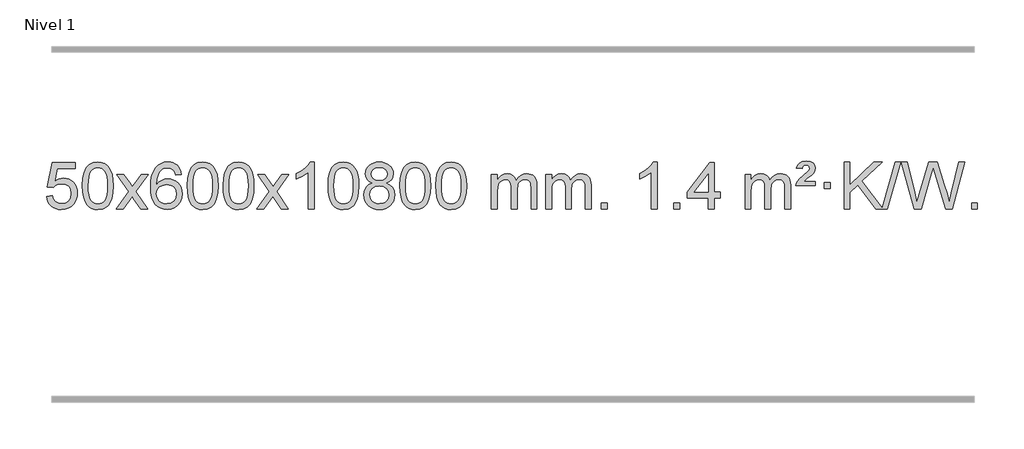
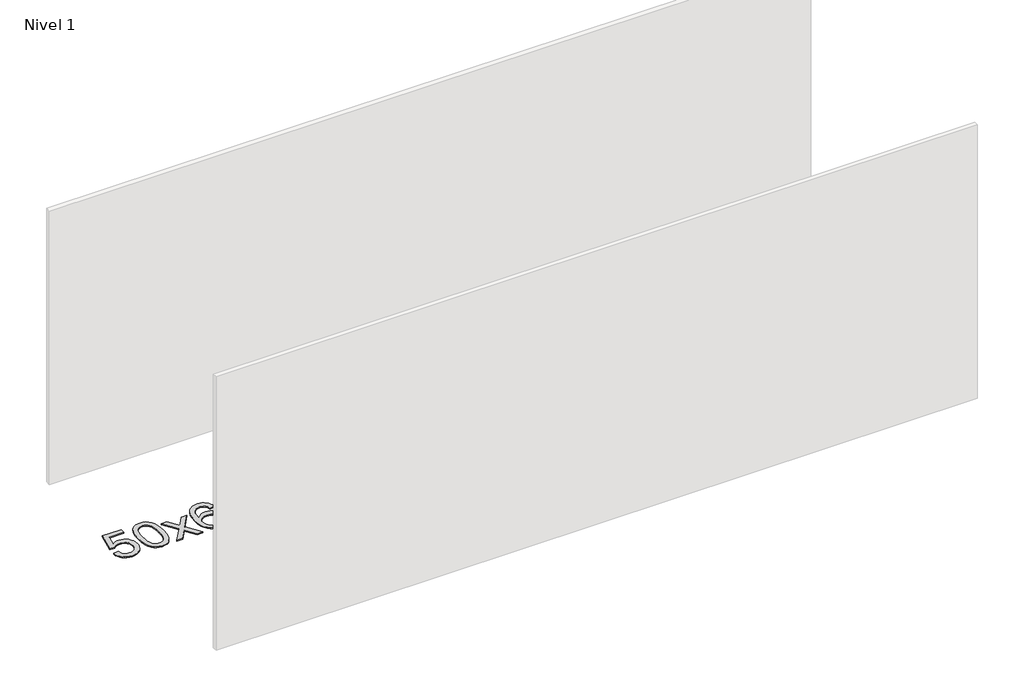
# One storey, part 16 of 16: 1 proxy.
"""IFC4 building model written with IfcOpenShell, lengths in millimetres."""

from ifc_helpers import new_model, si_unit, origin, origin_with_axes, place, context, project, spatial, polyline, outline, extrude, element, save

model = new_model("IFC4")

# Units and contexts
model_context = context("Model", 3, world=origin())
ifc_project = project(units=[si_unit("LENGTHUNIT", "METRE", prefix="MILLI")], contexts=[model_context])

# Site, building, storey
site = spatial("IfcSite", under=ifc_project)
building = spatial("IfcBuilding", under=site)
storey = spatial("IfcBuildingStorey", under=building, Name="Nivel 1", Elevation=0.0)

# Proxy
placement = place(None, origin())
element("IfcBuildingElementProxy", 1, Name="Texto de modelo 1", ObjectType="Texto de modelo 1", at=placement, inside=storey, context=model_context, shape_type="SweptSolid", body=[
    extrude(outline(polyline([(-277.6882182, 2715.1553765), (-227.4600631, 2721.4338959), (-218.2384877, 2691.2798351), (-202.1497818, 2669.6851619), (-179.2675217, 2656.6989275), (-149.6652838, 2652.3701827), (-130.5354201, 2653.8754332), (-113.6618992, 2658.3911847), (-99.0447213, 2665.9174372), (-86.6838863, 2676.4541906), (-76.8553056, 2689.480279), (-69.8348909, 2704.4745359), (-64.2185591, 2740.3675559), (-69.4792716, 2774.1636486), (-76.0551623, 2788.0818507), (-85.2614092, 2800.0134901), (-97.1286692, 2809.5845533), (-111.6875992, 2816.4210271), (-148.8804689, 2821.8902061), (-173.2465197, 2819.7074396), (-192.9772574, 2813.1591401), (-208.7348695, 2803.1282243), (-221.1815437, 2790.4976092), (-271.4096988, 2796.7761285), (-227.4600631, 3003.9672682), (-32.8259622, 3003.9672682), (-32.8259622, 2953.7391131), (-186.8458908, 2953.7391131), (-208.3301993, 2843.080209), (-190.6044185, 2855.7844006), (-172.4494421, 2864.8588231), (-153.8652699, 2870.3034766), (-134.8519022, 2872.1183612), (-110.3908152, 2869.8681496), (-87.9224223, 2863.117515), (-67.4467236, 2851.8664573), (-48.963719, 2836.1149766), (-33.6628937, 2816.8256973), (-22.7337328, 2794.961244), (-16.1762362, 2770.5216168), (-13.990404, 2743.5068156), (-15.9585727, 2717.4852958), (-21.8630787, 2693.2786606), (-31.7039221, 2670.8869098), (-45.4811028, 2650.3100435), (-66.3522747, 2629.2365366), (-90.7060627, 2614.1840316), (-118.542467, 2605.1525286), (-149.8614876, 2602.1420276), (-175.7818398, 2604.0764738), (-199.1944631, 2609.8798123), (-220.0993575, 2619.552043), (-238.4965229, 2633.0931662), (-253.8034796, 2649.8287312), (-265.4377477, 2669.084288), (-273.3993272, 2690.8598364), (-277.6882182, 2715.1553765)])), origin_with_axes(), (0.0, 0.0, 1.0), 10.0),
    extrude(outline(polyline([(29.9592317, 2806.0958057), (33.6503144, 2870.4138412), (44.7235624, 2921.7088541), (63.0686112, 2960.7656593), (74.9266742, 2975.9990395), (88.5750962, 2988.3690716), (104.0598626, 2997.9401349), (121.4269584, 3004.7766086), (161.8081387, 3010.2457876), (192.7592773, 3007.008426), (220.4730542, 2997.2963414), (243.6496199, 2981.4896783), (260.9891246, 2959.9685816), (274.0857237, 2932.9169922), (284.5335723, 2900.5188512), (291.3761774, 2859.3773814), (293.6570458, 2806.0958057), (290.0027513, 2742.1456523), (279.0398679, 2690.9732667), (260.8051836, 2651.8796734), (248.9747118, 2636.6003078), (235.3354868, 2624.1658964), (219.8323264, 2614.5304538), (202.4100483, 2607.6479948), (161.8081387, 2602.1420276), (134.1434127, 2604.5332606), (109.6179464, 2611.7069595), (88.2317397, 2623.6631243), (69.9847927, 2640.4017551), (52.4736098, 2670.6600492), (39.9656219, 2708.3618224), (32.4608292, 2753.5070745), (29.9592317, 2806.0958057)]), holes=[polyline([(80.1873867, 2806.1939076), (81.6589147, 2762.5293805), (86.0734987, 2727.1851178), (93.4311386, 2700.1611196), (103.7318344, 2681.4573858), (116.1907713, 2668.7317344), (130.0231344, 2659.6419835), (145.2289235, 2654.1881329), (161.8081387, 2652.3701827), (178.387354, 2654.1942643), (193.5931431, 2659.6665089), (207.4255061, 2668.7869167), (219.8844431, 2681.5554876), (230.1851389, 2700.2898783), (237.5427788, 2727.3077451), (241.9573628, 2762.6090882), (243.4288907, 2806.1939076), (242.0064137, 2848.7026722), (237.7389826, 2883.4246011), (230.6265973, 2910.3596945), (220.669258, 2929.5079524), (208.4187875, 2942.8559375), (194.427009, 2952.3902125), (178.6939223, 2958.1107775), (161.2195276, 2960.0176325), (144.7261514, 2958.3376381), (129.7778797, 2953.2976548), (116.3747123, 2944.8976825), (104.5166494, 2933.1377214), (93.872597, 2912.291075), (86.2697024, 2884.1848906), (81.7079657, 2848.8191681), (80.1873867, 2806.1939076)])]), origin_with_axes(), (0.0, 0.0, 1.0), 10.0),
    extrude(outline(polyline([(318.7711234, 2608.420547), (426.0945641, 2756.7505675), (325.0496427, 2903.5109581), (385.4803918, 2903.5109581), (434.2370189, 2832.877615), (456.9966517, 2799.5229808), (476.7151266, 2826.7952993), (532.2407824, 2903.5109581), (592.6715315, 2903.5109581), (486.5253132, 2756.7505675), (588.7474569, 2608.420547), (528.3167078, 2608.420547), (466.8068382, 2697.5951426), (455.5251237, 2713.8800523), (379.2018724, 2608.420547), (318.7711234, 2608.420547)])), origin_with_axes(), (0.0, 0.0, 1.0), 10.0),
    extrude(outline(polyline([(877.5593486, 2903.5109581), (827.3311935, 2897.2324387), (819.2377896, 2922.125787), (808.2994316, 2939.1219352), (785.5152734, 2954.7937082), (757.9731747, 2960.0176325), (734.6249307, 2956.9764747), (712.6501129, 2947.8530012), (693.7777665, 2928.6372983), (678.3635109, 2902.1865829), (667.9524504, 2864.772984), (664.0896895, 2812.6686307), (684.2373601, 2836.1762902), (708.3826817, 2852.7432427), (735.1767537, 2862.565692), (763.2706754, 2865.8398418), (787.4037343, 2863.601893), (809.6728577, 2856.8880466), (830.0780457, 2845.6983025), (848.6192983, 2830.0326609), (864.0274225, 2810.8230894), (875.0332255, 2789.0015557), (881.6367073, 2764.5680599), (883.8378679, 2737.5226018), (879.6930641, 2701.5560055), (867.2586527, 2668.213634), (847.5647032, 2639.9357713), (821.6412853, 2619.1627013), (790.6656213, 2606.397196), (755.8149336, 2602.1420276), (725.8724049, 2604.9624563), (698.8300126, 2613.4237421), (674.6877566, 2627.5258853), (653.4456371, 2647.2688857), (636.1275922, 2673.4866092), (623.7575601, 2707.0129217), (616.3355408, 2747.8478232), (613.8615344, 2795.9913136), (616.6083866, 2849.9657337), (624.8489433, 2896.0306908), (638.5832045, 2934.1861851), (657.8111701, 2964.4322165), (678.6516851, 2984.4756538), (702.8154009, 2998.7923948), (730.3023173, 3007.3824394), (761.1124344, 3010.2457876), (784.2460805, 3008.4738227), (805.1846974, 3003.1579278), (823.928285, 2994.2981031), (840.4768434, 2981.8943485), (854.3827829, 2966.3635969), (865.1985135, 2948.1227814), (872.9240354, 2927.1719017), (877.5593486, 2903.5109581)]), holes=[polyline([(664.0896895, 2738.3074168), (666.9959573, 2716.0505561), (675.7147605, 2694.7992395), (689.252818, 2676.527767), (706.6168481, 2663.2104388), (727.5738591, 2655.0802467), (751.890859, 2652.3701827), (785.0370268, 2657.9865145), (798.9521632, 2665.0069292), (811.0953348, 2674.8355099), (820.9453752, 2687.0737176), (827.9811183, 2701.3230135), (833.6097129, 2735.8548701), (828.0546947, 2769.0010379), (821.1109221, 2782.6218688), (811.3896404, 2794.274531), (799.2096806, 2803.6095366), (784.889874, 2810.2773978), (749.8307198, 2815.6116867), (716.733603, 2810.2773978), (689.0566142, 2794.274531), (678.1335847, 2782.7751529), (670.3314207, 2769.6141746), (665.6501223, 2754.7915958), (664.0896895, 2738.3074168)])]), origin_with_axes(), (0.0, 0.0, 1.0), 10.0),
    extrude(outline(polyline([(927.7875036, 2806.0958057), (931.4785863, 2870.4138412), (942.5518344, 2921.7088541), (960.8968832, 2960.7656593), (972.7549462, 2975.9990395), (986.4033682, 2988.3690716), (1001.8881345, 2997.9401349), (1019.2552304, 3004.7766086), (1059.6364107, 3010.2457876), (1090.5875492, 3007.008426), (1118.3013262, 2997.2963414), (1141.4778919, 2981.4896783), (1158.8173966, 2959.9685816), (1171.9139956, 2932.9169922), (1182.3618443, 2900.5188512), (1189.2044494, 2859.3773814), (1191.4853178, 2806.0958057), (1187.8310233, 2742.1456523), (1176.8681398, 2690.9732667), (1158.6334556, 2651.8796734), (1146.8029838, 2636.6003078), (1133.1637588, 2624.1658964), (1117.6605984, 2614.5304538), (1100.2383202, 2607.6479948), (1059.6364107, 2602.1420276), (1031.9716847, 2604.5332606), (1007.4462183, 2611.7069595), (986.0600117, 2623.6631243), (967.8130647, 2640.4017551), (950.3018817, 2670.6600492), (937.7938939, 2708.3618224), (930.2891012, 2753.5070745), (927.7875036, 2806.0958057)]), holes=[polyline([(978.0156587, 2806.1939076), (979.4871867, 2762.5293805), (983.9017706, 2727.1851178), (991.2594105, 2700.1611196), (1001.5601064, 2681.4573858), (1014.0190433, 2668.7317344), (1027.8514063, 2659.6419835), (1043.0571955, 2654.1881329), (1059.6364107, 2652.3701827), (1076.215626, 2654.1942643), (1091.4214151, 2659.6665089), (1105.2537781, 2668.7869167), (1117.712715, 2681.5554876), (1128.0134109, 2700.2898783), (1135.3710508, 2727.3077451), (1139.7856347, 2762.6090882), (1141.2571627, 2806.1939076), (1139.8346857, 2848.7026722), (1135.5672545, 2883.4246011), (1128.4548693, 2910.3596945), (1118.4975299, 2929.5079524), (1106.2470595, 2942.8559375), (1092.2552809, 2952.3902125), (1076.5221943, 2958.1107775), (1059.0477995, 2960.0176325), (1042.5544234, 2958.3376381), (1027.6061517, 2953.2976548), (1014.2029843, 2944.8976825), (1002.3449213, 2933.1377214), (991.7008689, 2912.291075), (984.0979744, 2884.1848906), (979.5362376, 2848.8191681), (978.0156587, 2806.1939076)])]), origin_with_axes(), (0.0, 0.0, 1.0), 10.0),
    extrude(outline(polyline([(1235.4349535, 2806.0958057), (1239.1260362, 2870.4138412), (1250.1992842, 2921.7088541), (1268.544333, 2960.7656593), (1280.402396, 2975.9990395), (1294.050818, 2988.3690716), (1309.5355843, 2997.9401349), (1326.9026802, 3004.7766086), (1367.2838605, 3010.2457876), (1398.2349991, 3007.008426), (1425.948776, 2997.2963414), (1449.1253417, 2981.4896783), (1466.4648464, 2959.9685816), (1479.5614455, 2932.9169922), (1490.0092941, 2900.5188512), (1496.8518992, 2859.3773814), (1499.1327676, 2806.0958057), (1495.4784731, 2742.1456523), (1484.5155897, 2690.9732667), (1466.2809054, 2651.8796734), (1454.4504336, 2636.6003078), (1440.8112086, 2624.1658964), (1425.3080482, 2614.5304538), (1407.8857701, 2607.6479948), (1367.2838605, 2602.1420276), (1339.6191345, 2604.5332606), (1315.0936682, 2611.7069595), (1293.7074615, 2623.6631243), (1275.4605145, 2640.4017551), (1257.9493316, 2670.6600492), (1245.4413437, 2708.3618224), (1237.936551, 2753.5070745), (1235.4349535, 2806.0958057)]), holes=[polyline([(1285.6631085, 2806.1939076), (1287.1346365, 2762.5293805), (1291.5492205, 2727.1851178), (1298.9068604, 2700.1611196), (1309.2075562, 2681.4573858), (1321.6664931, 2668.7317344), (1335.4988562, 2659.6419835), (1350.7046453, 2654.1881329), (1367.2838605, 2652.3701827), (1383.8630758, 2654.1942643), (1399.0688649, 2659.6665089), (1412.9012279, 2668.7869167), (1425.3601648, 2681.5554876), (1435.6608607, 2700.2898783), (1443.0185006, 2727.3077451), (1447.4330846, 2762.6090882), (1448.9046125, 2806.1939076), (1447.4821355, 2848.7026722), (1443.2147043, 2883.4246011), (1436.1023191, 2910.3596945), (1426.1449798, 2929.5079524), (1413.8945093, 2942.8559375), (1399.9027308, 2952.3902125), (1384.1696441, 2958.1107775), (1366.6952493, 2960.0176325), (1350.2018732, 2958.3376381), (1335.2536015, 2953.2976548), (1321.8504341, 2944.8976825), (1309.9923712, 2933.1377214), (1299.3483188, 2912.291075), (1291.7454242, 2884.1848906), (1287.1836875, 2848.8191681), (1285.6631085, 2806.1939076)])]), origin_with_axes(), (0.0, 0.0, 1.0), 10.0),
    extrude(outline(polyline([(1524.2468452, 2608.420547), (1631.5702859, 2756.7505675), (1530.5253645, 2903.5109581), (1590.9561136, 2903.5109581), (1639.7127407, 2832.877615), (1662.4723735, 2799.5229808), (1682.1908484, 2826.7952993), (1737.7165042, 2903.5109581), (1798.1472533, 2903.5109581), (1692.001035, 2756.7505675), (1794.2231787, 2608.420547), (1733.7924296, 2608.420547), (1672.28256, 2697.5951426), (1661.0008455, 2713.8800523), (1584.6775942, 2608.420547), (1524.2468452, 2608.420547)])), origin_with_axes(), (0.0, 0.0, 1.0), 10.0),
    extrude(outline(polyline([(2013.9713571, 2608.420547), (1963.7432021, 2608.420547), (1963.7432021, 2921.5617013), (1942.7739283, 2904.6023413), (1916.1637973, 2887.6675068), (1863.2868919, 2862.3081746), (1863.2868919, 2909.7894775), (1902.7361045, 2931.2492605), (1936.9123419, 2956.780271), (1963.8535667, 2983.9299622), (1981.5977416, 3010.2457876), (2013.9713571, 3010.2457876), (2013.9713571, 2608.420547)])), origin_with_axes(), (0.0, 0.0, 1.0), 10.0),
    extrude(outline(polyline([(2133.2632254, 2806.0958057), (2136.9543081, 2870.4138412), (2148.0275562, 2921.7088541), (2166.372605, 2960.7656593), (2178.230668, 2975.9990395), (2191.87909, 2988.3690716), (2207.3638563, 2997.9401349), (2224.7309522, 3004.7766086), (2265.1121325, 3010.2457876), (2296.063271, 3007.008426), (2323.777048, 2997.2963414), (2346.9536137, 2981.4896783), (2364.2931184, 2959.9685816), (2377.3897174, 2932.9169922), (2387.8375661, 2900.5188512), (2394.6801712, 2859.3773814), (2396.9610396, 2806.0958057), (2393.3067451, 2742.1456523), (2382.3438616, 2690.9732667), (2364.1091774, 2651.8796734), (2352.2787056, 2636.6003078), (2338.6394806, 2624.1658964), (2323.1363202, 2614.5304538), (2305.714042, 2607.6479948), (2265.1121325, 2602.1420276), (2237.4474065, 2604.5332606), (2212.9219401, 2611.7069595), (2191.5357335, 2623.6631243), (2173.2887865, 2640.4017551), (2155.7776035, 2670.6600492), (2143.2696157, 2708.3618224), (2135.764823, 2753.5070745), (2133.2632254, 2806.0958057)]), holes=[polyline([(2183.4913805, 2806.1939076), (2184.9629085, 2762.5293805), (2189.3774924, 2727.1851178), (2196.7351323, 2700.1611196), (2207.0358282, 2681.4573858), (2219.4947651, 2668.7317344), (2233.3271281, 2659.6419835), (2248.5329173, 2654.1881329), (2265.1121325, 2652.3701827), (2281.6913478, 2654.1942643), (2296.8971369, 2659.6665089), (2310.7294999, 2668.7869167), (2323.1884368, 2681.5554876), (2333.4891327, 2700.2898783), (2340.8467726, 2727.3077451), (2345.2613565, 2762.6090882), (2346.7328845, 2806.1939076), (2345.3104075, 2848.7026722), (2341.0429763, 2883.4246011), (2333.9305911, 2910.3596945), (2323.9732517, 2929.5079524), (2311.7227813, 2942.8559375), (2297.7310027, 2952.3902125), (2281.9979161, 2958.1107775), (2264.5235213, 2960.0176325), (2248.0301452, 2958.3376381), (2233.0818735, 2953.2976548), (2219.6787061, 2944.8976825), (2207.8206431, 2933.1377214), (2197.1765907, 2912.291075), (2189.5736962, 2884.1848906), (2185.0119594, 2848.8191681), (2183.4913805, 2806.1939076)])]), origin_with_axes(), (0.0, 0.0, 1.0), 10.0),
    extrude(outline(polyline([(2514.0946668, 2829.7383553), (2487.202493, 2842.9821071), (2468.3301466, 2860.9347485), (2457.1833222, 2883.2283974), (2453.467714, 2909.4951719), (2455.491065, 2929.9800676), (2461.5611179, 2948.7604435), (2471.6778728, 2965.8362994), (2485.8413296, 2981.2076355), (2503.3709067, 2993.911827), (2523.5860223, 3002.9862496), (2546.4866765, 3008.4309031), (2572.0728693, 3010.2457876), (2597.7816894, 3008.3879835), (2620.8540218, 3002.8145713), (2641.2898667, 2993.5255509), (2659.0892239, 2980.5209224), (2673.5101981, 2964.8491494), (2683.8108939, 2947.5586956), (2689.9913115, 2928.6495611), (2692.0514506, 2908.1217457), (2688.3848934, 2882.7010999), (2677.3852218, 2860.7875957), (2658.9298083, 2842.9453189), (2632.8960258, 2829.7383553), (2663.8103761, 2813.8090649), (2686.3124915, 2790.3504564), (2700.0344899, 2760.4907011), (2704.6084894, 2725.3579705), (2702.3398838, 2700.3052067), (2695.5340669, 2677.3371074), (2684.1910387, 2656.4536728), (2668.3107992, 2637.6549029), (2648.7272143, 2622.11802), (2626.2741499, 2611.0202464), (2600.9516059, 2604.3615823), (2572.7595823, 2602.1420276), (2544.5675588, 2604.3707794), (2519.2450148, 2611.0570346), (2496.7919503, 2622.2007934), (2477.2083655, 2637.8020557), (2461.328126, 2656.73265), (2449.9850978, 2677.864405), (2443.1792809, 2701.1973205), (2440.9106753, 2726.7313967), (2445.6686157, 2763.2252906), (2459.9424371, 2793.2444614), (2482.9963755, 2815.7588395), (2514.0946668, 2829.7383553)]), holes=[polyline([(2503.6958691, 2908.0236439), (2508.1472413, 2886.097877), (2521.5013577, 2868.586694), (2543.3658109, 2857.1087757), (2573.3481935, 2853.282803), (2602.6316003, 2857.0842503), (2624.1649598, 2868.4885921), (2637.4087116, 2885.4111639), (2641.8232956, 2905.767301), (2637.2615588, 2926.8959902), (2623.5763486, 2944.370385), (2601.7486836, 2956.1058206), (2572.7595823, 2960.0176325), (2543.5865401, 2956.1916598), (2521.7956633, 2944.7137415), (2508.2208176, 2927.8892716), (2503.6958691, 2908.0236439)]), polyline([(2491.1388303, 2728.4972302), (2493.2357577, 2709.2815274), (2499.5265398, 2690.6789611), (2511.1393481, 2674.4553651), (2529.2023541, 2662.376573), (2550.8338154, 2654.8717803), (2573.1519898, 2652.3701827), (2607.3404899, 2657.6308952), (2621.2341666, 2664.2067859), (2632.9941277, 2673.4130328), (2649.0337827, 2697.3130998), (2654.3803343, 2726.9276004), (2648.8621044, 2757.0448731), (2632.3074146, 2781.4722375), (2620.2286224, 2790.9145421), (2606.0651656, 2797.6590453), (2571.4842581, 2803.0546479), (2537.7740046, 2797.7326217), (2524.0366778, 2791.080089), (2512.3778842, 2781.7665431), (2496.4485938, 2757.8051625), (2491.1388303, 2728.4972302)])]), origin_with_axes(), (0.0, 0.0, 1.0), 10.0),
    extrude(outline(polyline([(2748.5581251, 2806.0958057), (2752.2492078, 2870.4138412), (2763.3224558, 2921.7088541), (2781.6675047, 2960.7656593), (2793.5255676, 2975.9990395), (2807.1739897, 2988.3690716), (2822.658756, 2997.9401349), (2840.0258518, 3004.7766086), (2880.4070322, 3010.2457876), (2911.3581707, 3007.008426), (2939.0719477, 2997.2963414), (2962.2485134, 2981.4896783), (2979.5880181, 2959.9685816), (2992.6846171, 2932.9169922), (3003.1324658, 2900.5188512), (3009.9750709, 2859.3773814), (3012.2559392, 2806.0958057), (3008.6016448, 2742.1456523), (2997.6387613, 2690.9732667), (2979.4040771, 2651.8796734), (2967.5736052, 2636.6003078), (2953.9343803, 2624.1658964), (2938.4312199, 2614.5304538), (2921.0089417, 2607.6479948), (2880.4070322, 2602.1420276), (2852.7423061, 2604.5332606), (2828.2168398, 2611.7069595), (2806.8306331, 2623.6631243), (2788.5836862, 2640.4017551), (2771.0725032, 2670.6600492), (2758.5645154, 2708.3618224), (2751.0597227, 2753.5070745), (2748.5581251, 2806.0958057)]), holes=[polyline([(2798.7862802, 2806.1939076), (2800.2578082, 2762.5293805), (2804.6723921, 2727.1851178), (2812.030032, 2700.1611196), (2822.3307279, 2681.4573858), (2834.7896648, 2668.7317344), (2848.6220278, 2659.6419835), (2863.8278169, 2654.1881329), (2880.4070322, 2652.3701827), (2896.9862474, 2654.1942643), (2912.1920366, 2659.6665089), (2926.0243996, 2668.7869167), (2938.4833365, 2681.5554876), (2948.7840323, 2700.2898783), (2956.1416722, 2727.3077451), (2960.5562562, 2762.6090882), (2962.0277842, 2806.1939076), (2960.6053071, 2848.7026722), (2956.337876, 2883.4246011), (2949.2254907, 2910.3596945), (2939.2681514, 2929.5079524), (2927.017681, 2942.8559375), (2913.0259024, 2952.3902125), (2897.2928157, 2958.1107775), (2879.818421, 2960.0176325), (2863.3250449, 2958.3376381), (2848.3767731, 2953.2976548), (2834.9736058, 2944.8976825), (2823.1155428, 2933.1377214), (2812.4714904, 2912.291075), (2804.8685958, 2884.1848906), (2800.3068591, 2848.8191681), (2798.7862802, 2806.1939076)])]), origin_with_axes(), (0.0, 0.0, 1.0), 10.0),
    extrude(outline(polyline([(3056.2055749, 2806.0958057), (3059.8966576, 2870.4138412), (3070.9699057, 2921.7088541), (3089.3149545, 2960.7656593), (3101.1730175, 2975.9990395), (3114.8214395, 2988.3690716), (3130.3062058, 2997.9401349), (3147.6733017, 3004.7766086), (3188.054482, 3010.2457876), (3219.0056205, 3007.008426), (3246.7193975, 2997.2963414), (3269.8959632, 2981.4896783), (3287.2354679, 2959.9685816), (3300.3320669, 2932.9169922), (3310.7799156, 2900.5188512), (3317.6225207, 2859.3773814), (3319.9033891, 2806.0958057), (3316.2490946, 2742.1456523), (3305.2862111, 2690.9732667), (3287.0515269, 2651.8796734), (3275.2210551, 2636.6003078), (3261.5818301, 2624.1658964), (3246.0786697, 2614.5304538), (3228.6563915, 2607.6479948), (3188.054482, 2602.1420276), (3160.389756, 2604.5332606), (3135.8642896, 2611.7069595), (3114.478083, 2623.6631243), (3096.231136, 2640.4017551), (3078.719953, 2670.6600492), (3066.2119652, 2708.3618224), (3058.7071725, 2753.5070745), (3056.2055749, 2806.0958057)]), holes=[polyline([(3106.43373, 2806.1939076), (3107.905258, 2762.5293805), (3112.3198419, 2727.1851178), (3119.6774818, 2700.1611196), (3129.9781777, 2681.4573858), (3142.4371146, 2668.7317344), (3156.2694776, 2659.6419835), (3171.4752668, 2654.1881329), (3188.054482, 2652.3701827), (3204.6336973, 2654.1942643), (3219.8394864, 2659.6665089), (3233.6718494, 2668.7869167), (3246.1307863, 2681.5554876), (3256.4314822, 2700.2898783), (3263.7891221, 2727.3077451), (3268.203706, 2762.6090882), (3269.675234, 2806.1939076), (3268.252757, 2848.7026722), (3263.9853258, 2883.4246011), (3256.8729406, 2910.3596945), (3246.9156012, 2929.5079524), (3234.6651308, 2942.8559375), (3220.6733522, 2952.3902125), (3204.9402656, 2958.1107775), (3187.4658708, 2960.0176325), (3170.9724947, 2958.3376381), (3156.024223, 2953.2976548), (3142.6210556, 2944.8976825), (3130.7629926, 2933.1377214), (3120.1189402, 2912.291075), (3112.5160457, 2884.1848906), (3107.9543089, 2848.8191681), (3106.43373, 2806.1939076)])]), origin_with_axes(), (0.0, 0.0, 1.0), 10.0),
    extrude(outline(polyline([(3533.3730481, 2608.420547), (3533.3730481, 2903.5109581), (3583.6012032, 2903.5109581), (3583.6012032, 2854.9505347), (3598.7088905, 2877.2564463), (3618.1330598, 2894.7308411), (3641.2115237, 2906.0248184), (3667.2820944, 2909.7894775), (3695.2166006, 2905.951242), (3717.6083513, 2894.4365355), (3734.3347194, 2876.0056476), (3745.2730774, 2851.4188676), (3763.581338, 2876.9560094), (3784.4647726, 2895.196825), (3807.9233811, 2906.1413143), (3833.9571637, 2909.7894775), (3854.0649804, 2908.2719642), (3871.7141191, 2903.7194245), (3886.9045798, 2896.1318584), (3899.6363625, 2885.5092658), (3909.7010008, 2871.7290194), (3916.8900281, 2854.6684918), (3921.2034445, 2834.3276832), (3922.64125, 2810.7065934), (3922.64125, 2608.420547), (3872.4130949, 2608.420547), (3872.4130949, 2789.124183), (3871.2481352, 2814.1769469), (3867.7532563, 2831.0627305), (3861.2049568, 2842.6264879), (3850.8797354, 2851.7131732), (3837.5991954, 2857.5992851), (3822.1849398, 2859.5613224), (3794.9739349, 2854.5336018), (3772.7906506, 2839.45044), (3764.1852776, 2827.8805512), (3758.0385826, 2813.2817674), (3753.1212266, 2774.9975144), (3753.1212266, 2608.420547), (3702.8930715, 2608.420547), (3702.8930715, 2794.7159894), (3699.9868038, 2823.1164794), (3691.2680005, 2843.3745146), (3675.9273213, 2855.5146204), (3653.1554258, 2859.5613224), (3633.8048328, 2856.8635211), (3615.9748188, 2848.7701172), (3601.259539, 2835.4773144), (3591.2531487, 2817.1813165), (3585.5141896, 2791.7974589), (3583.6012032, 2757.2410768), (3583.6012032, 2608.420547), (3533.3730481, 2608.420547)])), origin_with_axes(), (0.0, 0.0, 1.0), 10.0),
    extrude(outline(polyline([(3997.9834826, 2608.420547), (3997.9834826, 2903.5109581), (4048.2116377, 2903.5109581), (4048.2116377, 2854.9505347), (4063.3193249, 2877.2564463), (4082.7434943, 2894.7308411), (4105.8219581, 2906.0248184), (4131.8925288, 2909.7894775), (4159.827035, 2905.951242), (4182.2187858, 2894.4365355), (4198.9451538, 2876.0056476), (4209.8835118, 2851.4188676), (4228.1917724, 2876.9560094), (4249.075207, 2895.196825), (4272.5338156, 2906.1413143), (4298.5675981, 2909.7894775), (4318.6754148, 2908.2719642), (4336.3245535, 2903.7194245), (4351.5150143, 2896.1318584), (4364.246797, 2885.5092658), (4374.3114352, 2871.7290194), (4381.5004626, 2854.6684918), (4385.8138789, 2834.3276832), (4387.2516844, 2810.7065934), (4387.2516844, 2608.420547), (4337.0235293, 2608.420547), (4337.0235293, 2789.124183), (4335.8585697, 2814.1769469), (4332.3636907, 2831.0627305), (4325.8153912, 2842.6264879), (4315.4901699, 2851.7131732), (4302.2096299, 2857.5992851), (4286.7953743, 2859.5613224), (4259.5843694, 2854.5336018), (4237.401085, 2839.45044), (4228.795712, 2827.8805512), (4222.649017, 2813.2817674), (4217.731661, 2774.9975144), (4217.731661, 2608.420547), (4167.503506, 2608.420547), (4167.503506, 2794.7159894), (4164.5972382, 2823.1164794), (4155.8784349, 2843.3745146), (4140.5377557, 2855.5146204), (4117.7658602, 2859.5613224), (4098.4152673, 2856.8635211), (4080.5852532, 2848.7701172), (4065.8699734, 2835.4773144), (4055.8635832, 2817.1813165), (4050.124624, 2791.7974589), (4048.2116377, 2757.2410768), (4048.2116377, 2608.420547), (3997.9834826, 2608.420547)])), origin_with_axes(), (0.0, 0.0, 1.0), 10.0),
    extrude(outline(polyline([(4475.1509558, 2608.420547), (4475.1509558, 2658.6487021), (4525.3791109, 2658.6487021), (4525.3791109, 2608.420547), (4475.1509558, 2608.420547)])), origin_with_axes(), (0.0, 0.0, 1.0), 10.0),
    extrude(outline(polyline([(4952.318429, 2608.420547), (4902.0902739, 2608.420547), (4902.0902739, 2921.5617013), (4881.1210002, 2904.6023413), (4854.5108692, 2887.6675068), (4801.6339638, 2862.3081746), (4801.6339638, 2909.7894775), (4841.0831764, 2931.2492605), (4875.2594137, 2956.780271), (4902.2006385, 2983.9299622), (4919.9448134, 3010.2457876), (4952.318429, 3010.2457876), (4952.318429, 2608.420547)])), origin_with_axes(), (0.0, 0.0, 1.0), 10.0),
    extrude(outline(polyline([(5096.7243748, 2608.420547), (5096.7243748, 2658.6487021), (5146.9525299, 2658.6487021), (5146.9525299, 2608.420547), (5096.7243748, 2608.420547)])), origin_with_axes(), (0.0, 0.0, 1.0), 10.0),
    extrude(outline(polyline([(5391.8147859, 2608.420547), (5391.8147859, 2702.5983378), (5209.7377238, 2702.5983378), (5209.7377238, 2752.8264928), (5404.3718247, 3003.9672682), (5442.042941, 3003.9672682), (5442.042941, 2752.8264928), (5492.2710961, 2752.8264928), (5492.2710961, 2702.5983378), (5442.042941, 2702.5983378), (5442.042941, 2608.420547), (5391.8147859, 2608.420547)]), holes=[polyline([(5391.8147859, 2752.8264928), (5391.8147859, 2908.0236439), (5271.541899, 2752.8264928), (5391.8147859, 2752.8264928)])]), origin_with_axes(), (0.0, 0.0, 1.0), 10.0),
    extrude(outline(polyline([(5705.7407551, 2608.420547), (5705.7407551, 2903.5109581), (5755.9689102, 2903.5109581), (5755.9689102, 2854.9505347), (5771.0765975, 2877.2564463), (5790.5007668, 2894.7308411), (5813.5792306, 2906.0248184), (5839.6498014, 2909.7894775), (5867.5843075, 2905.951242), (5889.9760583, 2894.4365355), (5906.7024264, 2876.0056476), (5917.6407843, 2851.4188676), (5935.949045, 2876.9560094), (5956.8324796, 2895.196825), (5980.2910881, 2906.1413143), (6006.3248707, 2909.7894775), (6026.4326874, 2908.2719642), (6044.0818261, 2903.7194245), (6059.2722868, 2896.1318584), (6072.0040695, 2885.5092658), (6082.0687078, 2871.7290194), (6089.2577351, 2854.6684918), (6093.5711515, 2834.3276832), (6095.008957, 2810.7065934), (6095.008957, 2608.420547), (6044.7808019, 2608.420547), (6044.7808019, 2789.124183), (6043.6158422, 2814.1769469), (6040.1209633, 2831.0627305), (6033.5726638, 2842.6264879), (6023.2474424, 2851.7131732), (6009.9669024, 2857.5992851), (5994.5526468, 2859.5613224), (5967.3416419, 2854.5336018), (5945.1583576, 2839.45044), (5936.5529846, 2827.8805512), (5930.4062896, 2813.2817674), (5925.4889336, 2774.9975144), (5925.4889336, 2608.420547), (5875.2607785, 2608.420547), (5875.2607785, 2794.7159894), (5872.3545107, 2823.1164794), (5863.6357075, 2843.3745146), (5848.2950283, 2855.5146204), (5825.5231328, 2859.5613224), (5806.1725398, 2856.8635211), (5788.3425258, 2848.7701172), (5773.627246, 2835.4773144), (5763.6208557, 2817.1813165), (5757.8818966, 2791.7974589), (5755.9689102, 2757.2410768), (5755.9689102, 2608.420547), (5705.7407551, 2608.420547)])), origin_with_axes(), (0.0, 0.0, 1.0), 10.0),
    extrude(outline(polyline([(6138.9585926, 2809.3331673), (6142.7845654, 2825.1520931), (6151.123224, 2841.0200698), (6172.6320579, 2866.1586728), (6204.5887406, 2893.8969753), (6248.73458, 2931.273786), (6255.8714907, 2942.8007552), (6258.250461, 2954.6220299), (6256.362, 2966.7130848), (6250.6966173, 2976.4987459), (6241.3278892, 2982.973469), (6228.329392, 2985.1317101), (6215.8949806, 2983.5130293), (6207.0412872, 2978.656987), (6200.615615, 2969.1901569), (6195.4652671, 2953.7391131), (6145.237112, 2960.0176325), (6156.0773682, 2985.2298119), (6172.7056343, 3002.7900458), (6196.4708112, 3013.0907417), (6228.7217995, 3016.524307), (6264.5044549, 3012.3917659), (6289.2506504, 2999.9941427), (6303.6716246, 2981.6613566), (6308.478616, 2959.7233269), (6304.3828631, 2936.8165414), (6292.0956045, 2915.1850801), (6271.5677892, 2895.3685032), (6235.0984207, 2867.3113697), (6209.4938339, 2840.7257642), (6308.478616, 2840.7257642), (6308.478616, 2809.3331673), (6138.9585926, 2809.3331673)])), origin_with_axes(), (0.0, 0.0, 1.0), 10.0),
    extrude(outline(polyline([(6383.8208486, 2784.2190898), (6383.8208486, 2834.4472448), (6434.0490037, 2834.4472448), (6434.0490037, 2784.2190898), (6383.8208486, 2784.2190898)])), origin_with_axes(), (0.0, 0.0, 1.0), 10.0),
    extrude(outline(polyline([(6824.6906317, 2608.420547), (6671.2593142, 2811.0990009), (6603.5690271, 2746.5479735), (6603.5690271, 2608.420547), (6553.340872, 2608.420547), (6553.340872, 3010.2457876), (6603.5690271, 3010.2457876), (6603.5690271, 2813.5515475), (6809.5829444, 3010.2457876), (6879.82388, 3010.2457876), (6706.8702913, 2845.0422463), (6881.5239012, 2614.4650668), (6992.8372289, 3010.2457876), (7038.1602907, 3010.2457876), (6925.1469418, 2608.420547), (6886.1023994, 2608.420547), (6879.82388, 2608.420547), (6824.6906317, 2608.420547)])), origin_with_axes(), (0.0, 0.0, 1.0), 10.0),
    extrude(outline(polyline([(7152.6451676, 2608.420547), (7043.065384, 3010.2457876), (7094.8631689, 3010.2457876), (7158.4331777, 2746.155566), (7178.0535508, 2664.6329159), (7199.0473499, 2736.7377869), (7278.7060646, 3010.2457876), (7353.3615842, 3010.2457876), (7411.2416848, 2811.9819177), (7436.0369312, 2738.4055186), (7454.3084037, 2664.6329159), (7473.3401656, 2743.8011212), (7537.4987855, 3010.2457876), (7589.2965704, 3010.2457876), (7479.6186849, 2608.420547), (7425.9569646, 2608.420547), (7329.6209328, 2918.4224416), (7316.1809772, 2961.6853642), (7301.0732899, 2909.5932737), (7213.2721204, 2608.420547), (7152.6451676, 2608.420547)])), origin_with_axes(), (0.0, 0.0, 1.0), 10.0),
    extrude(outline(polyline([(7645.8032449, 2608.420547), (7645.8032449, 2658.6487021), (7696.0314, 2658.6487021), (7696.0314, 2608.420547), (7645.8032449, 2608.420547)])), origin_with_axes(), (0.0, 0.0, 1.0), 10.0),
])

save(model, "model.ifc")
